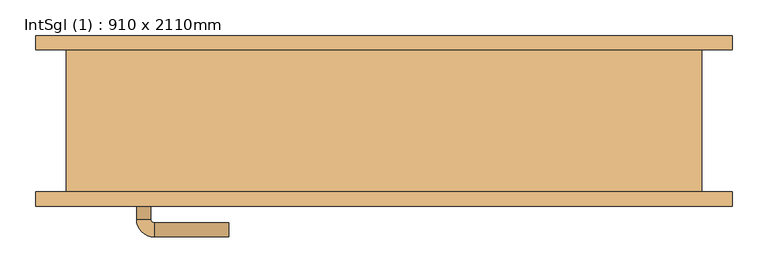
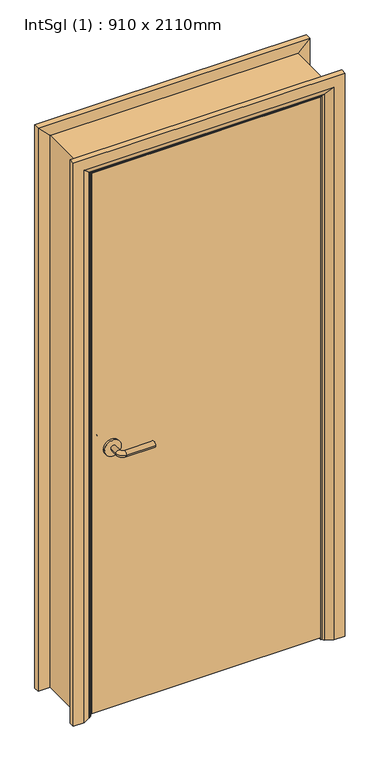
"""IFC4 building model written with IfcOpenShell, lengths in millimetres: door geometry, IntSgl (1) : 910 x 2110mm."""

from ifc_helpers import new_model, si_unit, point, frame, frame_2d, origin, place, context, project, spatial, polyline, circle_curve, ellipse_curve, trimmed, segment, composite_curve, outline, extrude, faceted_brep, source, transform, mapped, element, save
from ifc_brep_helpers import plane_surface, cylinder_surface, revolved_surface, advanced_brep


def intsgl_1_910_x_2110mm_46137337(model_context):
    return source(origin(), model_context, "Body", "SolidModel", [
        advanced_brep(
        [(-348.0, -54.0, 1000.0), (-328.0, -54.0, 1000.0), (-348.0, -24.0, 1000.0), (-328.0, -24.0, 1000.0), (-323.0, -19.0, 1000.0), (-323.0, 1.0, 1000.0), (-218.0, 1.0, 1000.0), (-218.0, -19.0, 1000.0)],
        [
            (0, 1, circle_curve(frame((-338.0, -54.0, 1000.0), z_axis=(0.0, -1.0, 0.0), x_axis=(1.0, 0.0, 0.0)), 10.0)),
            (1, 0, circle_curve(frame((-338.0, -54.0, 1000.0), z_axis=(0.0, -1.0, 0.0), x_axis=(1.0, 0.0, 0.0)), 10.0)),
            (0, 2),
            (2, 3, circle_curve(frame((-338.0, -24.0, 1000.0), z_axis=(0.0, -1.0, 0.0), x_axis=(1.0, 0.0, 0.0)), 10.0)),
            (3, 1),
            (3, 2, circle_curve(frame((-338.0, -24.0, 1000.0), z_axis=(0.0, -1.0, 0.0), x_axis=(1.0, 0.0, 0.0)), 10.0)),
            (4, 3, circle_curve(frame((-323.0, -24.0, 1000.0), z_axis=(0.0, 0.0, 1.0), x_axis=(-1.0, 0.0, 0.0)), 5.0)),
            (2, 5, circle_curve(frame((-323.0, -24.0, 1000.0), z_axis=(0.0, 0.0, -1.0), x_axis=(-1.0, 0.0, 0.0)), 25.0)),
            (5, 4, circle_curve(frame((-323.0, -9.0, 1000.0), z_axis=(-1.0, 0.0, 0.0), x_axis=(0.0, -1.0, 0.0)), 10.0)),
            (4, 5, circle_curve(frame((-323.0, -9.0, 1000.0), z_axis=(-1.0, 0.0, 0.0), x_axis=(0.0, -1.0, 0.0)), 10.0)),
            (6, 7, circle_curve(frame((-218.0, -9.0, 1000.0), z_axis=(1.0, 0.0, 0.0), x_axis=(0.0, -1.0, 0.0)), 10.0)),
            (7, 6, circle_curve(frame((-218.0, -9.0, 1000.0), z_axis=(1.0, 0.0, 0.0), x_axis=(0.0, -1.0, 0.0)), 10.0)),
            (5, 6),
            (7, 4),
        ],
        [
            plane_surface(frame((-338.0, -54.0, 1000.0), z_axis=(0.0, -1.0, 0.0), x_axis=(0.0, 0.0, 1.0))),
            cylinder_surface(frame((-338.0, -54.0, 1000.0), z_axis=(0.0, -1.0, 0.0), x_axis=(1.0, 0.0, 0.0)), 10.0),
            revolved_surface(trimmed(ellipse_curve(frame((-338.0, -24.0, 1000.0), z_axis=(0.0, -1.0, 0.0), x_axis=(1.0, 0.0, 0.0)), 10.0, 10.0), [point((-348.0, -24.0, 1000.0))], [point((-328.0, -24.0, 1000.0))], True, "CARTESIAN"), (-323.0, -24.0, 1000.0), (0.0, 0.0, -1.0)),
            revolved_surface(trimmed(ellipse_curve(frame((-338.0, -24.0, 1000.0), z_axis=(0.0, -1.0, 0.0), x_axis=(1.0, 0.0, 0.0)), 10.0, 10.0), [point((-328.0, -24.0, 1000.0))], [point((-348.0, -24.0, 1000.0))], True, "CARTESIAN"), (-323.0, -24.0, 1000.0), (0.0, 0.0, -1.0)),
            plane_surface(frame((-218.0, -9.0, 1000.0), z_axis=(1.0, 0.0, 0.0), x_axis=(0.0, 0.0, 1.0))),
            cylinder_surface(frame((-323.0, -9.0, 1000.0), z_axis=(-1.0, 0.0, 0.0), x_axis=(0.0, -1.0, 0.0)), 10.0),
        ],
        [
            (0, [[1, 2]]),
            (1, [[-1, 3, 4, 5]]),
            (1, [[-2, -5, 6, -3]]),
            (2, [[7, -4, 8, 9]]),
            (3, [[-8, -6, -7, 10]]),
            (4, [[11, 12]]),
            (5, [[-9, 13, -12, 14]]),
            (5, [[-10, -14, -11, -13]]),
        ],
    ),
        extrude(outline(composite_curve([segment(trimmed(circle_curve(frame_2d((1000.0, -340.5)), 30.0), [point((1000.0, -370.5))], [point((1000.0, -310.5))], False, "CARTESIAN"), True, "CONTINUOUS"), segment(trimmed(circle_curve(frame_2d((1000.0, -340.5)), 30.0), [point((1000.0, -310.5))], [point((1000.0, -370.5))], False, "CARTESIAN"), True, "CONTINUOUS")], self_intersect=False)), frame((0.0, -62.0, 0.0), z_axis=(0.0, 1.0, 0.0), x_axis=(0.0, 0.0, 1.0)), (0.0, 0.0, 1.0), 8.0),
        advanced_brep(
        [(-348.0, -108.0, 1000.0), (-328.0, -108.0, 1000.0), (-328.0, -138.0, 1000.0), (-348.0, -138.0, 1000.0), (-323.0, -143.0, 1000.0), (-323.0, -163.0, 1000.0), (-218.0, -163.0, 1000.0), (-218.0, -143.0, 1000.0)],
        [
            (0, 1, circle_curve(frame((-338.0, -108.0, 1000.0), z_axis=(0.0, 1.0, 0.0), x_axis=(1.0, 0.0, 0.0)), 10.0)),
            (1, 0, circle_curve(frame((-338.0, -108.0, 1000.0), z_axis=(0.0, 1.0, 0.0), x_axis=(1.0, 0.0, 0.0)), 10.0)),
            (1, 2),
            (2, 3, circle_curve(frame((-338.0, -138.0, 1000.0), z_axis=(0.0, 1.0, 0.0), x_axis=(1.0, 0.0, 0.0)), 10.0)),
            (3, 0),
            (3, 2, circle_curve(frame((-338.0, -138.0, 1000.0), z_axis=(0.0, 1.0, 0.0), x_axis=(1.0, 0.0, 0.0)), 10.0)),
            (4, 5, circle_curve(frame((-323.0, -153.0, 1000.0), z_axis=(-1.0, 0.0, 0.0), x_axis=(0.0, 1.0, 0.0)), 10.0)),
            (5, 3, circle_curve(frame((-323.0, -138.0, 1000.0), z_axis=(0.0, 0.0, -1.0), x_axis=(-1.0, 0.0, 0.0)), 25.0)),
            (2, 4, circle_curve(frame((-323.0, -138.0, 1000.0), z_axis=(0.0, 0.0, 1.0), x_axis=(-1.0, 0.0, 0.0)), 5.0)),
            (5, 4, circle_curve(frame((-323.0, -153.0, 1000.0), z_axis=(-1.0, 0.0, 0.0), x_axis=(0.0, 1.0, 0.0)), 10.0)),
            (6, 7, circle_curve(frame((-218.0, -153.0, 1000.0), z_axis=(1.0, 0.0, 0.0), x_axis=(0.0, 1.0, 0.0)), 10.0)),
            (7, 6, circle_curve(frame((-218.0, -153.0, 1000.0), z_axis=(1.0, 0.0, 0.0), x_axis=(0.0, 1.0, 0.0)), 10.0)),
            (4, 7),
            (6, 5),
        ],
        [
            plane_surface(frame((-338.0, -108.0, 1000.0), z_axis=(0.0, 1.0, 0.0), x_axis=(0.0, 0.0, 1.0))),
            cylinder_surface(frame((-338.0, -108.0, 1000.0), z_axis=(0.0, 1.0, 0.0), x_axis=(1.0, 0.0, 0.0)), 10.0),
            revolved_surface(trimmed(ellipse_curve(frame((-338.0, -138.0, 1000.0), z_axis=(0.0, -1.0, 0.0), x_axis=(1.0, 0.0, 0.0)), 10.0, 10.0), [point((-348.0, -138.0, 1000.0))], [point((-328.0, -138.0, 1000.0))], True, "CARTESIAN"), (-323.0, -138.0, 1000.0), (0.0, 0.0, -1.0)),
            revolved_surface(trimmed(ellipse_curve(frame((-338.0, -138.0, 1000.0), z_axis=(0.0, -1.0, 0.0), x_axis=(1.0, 0.0, 0.0)), 10.0, 10.0), [point((-328.0, -138.0, 1000.0))], [point((-348.0, -138.0, 1000.0))], True, "CARTESIAN"), (-323.0, -138.0, 1000.0), (0.0, 0.0, -1.0)),
            plane_surface(frame((-218.0, -153.0, 1000.0), z_axis=(1.0, 0.0, 0.0), x_axis=(0.0, 0.0, 1.0))),
            cylinder_surface(frame((-323.0, -153.0, 1000.0), z_axis=(-1.0, 0.0, 0.0), x_axis=(0.0, 1.0, 0.0)), 10.0),
        ],
        [
            (0, [[1, 2]]),
            (1, [[3, 4, 5, -2]]),
            (1, [[-5, 6, -3, -1]]),
            (2, [[7, 8, -4, 9]]),
            (3, [[10, -9, -6, -8]]),
            (4, [[11, 12]]),
            (5, [[13, -11, 14, -7]]),
            (5, [[-14, -12, -13, -10]]),
        ],
    ),
        extrude(outline(composite_curve([segment(trimmed(circle_curve(frame_2d((1000.0, -340.5)), 30.0), [point((1000.0, -370.5))], [point((1000.0, -310.5))], False, "CARTESIAN"), True, "CONTINUOUS"), segment(trimmed(circle_curve(frame_2d((1000.0, -340.5)), 30.0), [point((1000.0, -310.5))], [point((1000.0, -370.5))], False, "CARTESIAN"), True, "CONTINUOUS")], self_intersect=False)), frame((0.0, -108.0, 0.0), z_axis=(0.0, 1.0, 0.0), x_axis=(0.0, 0.0, 1.0)), (0.0, 0.0, 1.0), 8.0),
        extrude(outline(polyline([(413.0, -62.0), (413.0, -100.0), (-413.0, -100.0), (-413.0, -62.0), (413.0, -62.0)])), frame((0.0, 0.0, 8.0), z_axis=(0.0, 0.0, 1.0), x_axis=(1.0, 0.0, 0.0)), (0.0, 0.0, 1.0), 2060.0),
        advanced_brep(
        [(490.0, -120.0, 0.0), (450.0, -120.0, 0.0), (424.0, -106.0, 0.0), (420.0, -100.0, 0.0), (490.0, -100.0, 0.0), (490.0, -100.0, 2145.0), (490.0, -120.0, 2145.0), (420.0, -100.0, 2075.0), (-420.0, -100.0, 2075.0), (-420.0, -100.0, 0.0), (-490.0, -100.0, 0.0), (-490.0, -100.0, 2145.0), (424.0, -106.0, 2079.0), (450.0, -120.0, 2105.0), (-490.0, -120.0, 2145.0), (-490.0, -120.0, 0.0), (-450.0, -120.0, 0.0), (-450.0, -120.0, 2105.0), (-424.0, -106.0, 2079.0), (-424.0, -106.0, 0.0)],
        [
            (0, 1),
            (1, 2),
            (2, 3, circle_curve(frame((428.0, -99.0, 0.0), z_axis=(0.0, 0.0, -1.0), x_axis=(1.0, 0.0, 0.0)), 8.0622577)),
            (3, 4),
            (4, 0),
            (4, 5),
            (5, 6),
            (6, 0),
            (3, 7),
            (7, 8),
            (8, 9),
            (9, 10),
            (10, 11),
            (11, 5),
            (2, 12),
            (12, 7, ellipse_curve(frame((428.0, -99.0, 2083.0), z_axis=(0.7071067811865475, 0.0, -0.7071067811865475), x_axis=(-0.7071067811865474, 0.0, -0.7071067811865476)), 11.4017543, 8.0622577)),
            (1, 13),
            (13, 12),
            (6, 14),
            (14, 15),
            (15, 16),
            (16, 17),
            (17, 13),
            (11, 14),
            (12, 18),
            (18, 8, ellipse_curve(frame((-428.0, -99.0, 2083.0), z_axis=(0.7071067811865475, 0.0, 0.7071067811865475), x_axis=(0.7071067811865476, 0.0, -0.7071067811865474)), 11.4017543, 8.0622577)),
            (17, 18),
            (15, 10),
            (9, 19, circle_curve(frame((-428.0, -99.0, 0.0), z_axis=(0.0, 0.0, -1.0), x_axis=(-1.0, 0.0, 0.0)), 8.0622577)),
            (19, 16),
            (18, 19),
        ],
        [
            plane_surface(frame((420.0, -100.0, 0.0), z_axis=(0.0, 0.0, -1.0), x_axis=(0.0, 1.0, 0.0))),
            plane_surface(frame((490.0, -120.0, 0.0), z_axis=(1.0, 0.0, 0.0), x_axis=(0.0, 0.0, 1.0))),
            plane_surface(frame((490.0, -100.0, 0.0), z_axis=(0.0, 1.0, 0.0), x_axis=(0.0, 0.0, 1.0))),
            cylinder_surface(frame((428.0, -99.0, 0.0), z_axis=(0.0, 0.0, -1.0), x_axis=(1.0, 0.0, 0.0)), 8.0622577),
            plane_surface(frame((424.0, -106.0, 0.0), z_axis=(-0.4740998230350126, -0.880471099922178, 0.0), x_axis=(0.0, 0.0, 1.0))),
            plane_surface(frame((450.0, -120.0, 0.0), z_axis=(0.0, -1.0, 0.0), x_axis=(0.0, 0.0, 1.0))),
            plane_surface(frame((490.0, -120.0, 2145.0), z_axis=(0.0, 0.0, 1.0), x_axis=(-1.0, 0.0, 0.0))),
            cylinder_surface(frame((420.0, -99.0, 2083.0), z_axis=(1.0, 0.0, 0.0), x_axis=(0.0, 0.0, 1.0)), 8.0622577),
            plane_surface(frame((424.0, -106.0, 2079.0), z_axis=(0.0, -0.8804710999221764, -0.4740998230350154), x_axis=(-1.0, 0.0, 0.0))),
            plane_surface(frame((-420.0, -100.0, 0.0), z_axis=(0.0, 0.0, -1.0), x_axis=(0.0, 1.0, 0.0))),
            plane_surface(frame((-490.0, -120.0, 2145.0), z_axis=(-1.0, 0.0, 0.0), x_axis=(0.0, 0.0, -1.0))),
            cylinder_surface(frame((-428.0, -99.0, 2075.0), z_axis=(0.0, 0.0, 1.0), x_axis=(-1.0, 0.0, 0.0)), 8.0622577),
            plane_surface(frame((-424.0, -106.0, 2079.0), z_axis=(0.47409982303501824, -0.8804710999221749, 0.0), x_axis=(0.0, 0.0, -1.0))),
        ],
        [
            (0, [[1, 2, 3, 4, 5]]),
            (1, [[6, 7, 8, -5]]),
            (2, [[9, 10, 11, 12, 13, 14, -6, -4]]),
            (3, [[15, 16, -9, -3]]),
            (4, [[17, 18, -15, -2]]),
            (5, [[-8, 19, 20, 21, 22, 23, -17, -1]]),
            (6, [[-14, 24, -19, -7]]),
            (7, [[25, 26, -10, -16]]),
            (8, [[-23, 27, -25, -18]]),
            (9, [[28, -12, 29, 30, -21]]),
            (10, [[-13, -28, -20, -24]]),
            (11, [[31, -29, -11, -26]]),
            (12, [[-22, -30, -31, -27]]),
        ],
    ),
        extrude(outline(polyline([(0.0, -396.0), (2051.0, -396.0), (2051.0, 396.0), (0.0, 396.0), (0.0, 415.0), (2070.0, 415.0), (2070.0, -415.0), (0.0, -415.0), (0.0, -396.0)])), frame((0.0, -60.0, 0.0), z_axis=(0.0, 1.0, 0.0), x_axis=(0.0, 0.0, 1.0)), (0.0, 0.0, 1.0), 32.0),
        advanced_brep(
        [(-490.0, 120.0, 0.0), (-450.0, 120.0, 0.0), (-424.0, 106.0, 0.0), (-420.0, 100.0, 0.0), (-490.0, 100.0, 0.0), (-490.0, 100.0, 2145.0), (-490.0, 120.0, 2145.0), (-420.0, 100.0, 2075.0), (-424.0, 106.0, 2079.0), (-450.0, 120.0, 2105.0), (490.0, 100.0, 2145.0), (490.0, 120.0, 2145.0), (420.0, 100.0, 2075.0), (424.0, 106.0, 2079.0), (450.0, 120.0, 2105.0), (490.0, 120.0, 0.0), (490.0, 100.0, 0.0), (420.0, 100.0, 0.0), (424.0, 106.0, 0.0), (450.0, 120.0, 0.0)],
        [
            (0, 1),
            (1, 2),
            (2, 3, circle_curve(frame((-428.0, 99.0, 0.0), z_axis=(0.0, 0.0, -1.0), x_axis=(-1.0, 0.0, 0.0)), 8.0622577)),
            (3, 4),
            (4, 0),
            (4, 5),
            (5, 6),
            (6, 0),
            (3, 7),
            (7, 5),
            (2, 8),
            (8, 7, ellipse_curve(frame((-428.0, 99.0, 2083.0), z_axis=(-0.7071067811865475, 0.0, -0.7071067811865475), x_axis=(0.7071067811865474, 0.0, -0.7071067811865476)), 11.4017543, 8.0622577)),
            (1, 9),
            (9, 8),
            (6, 9),
            (5, 10),
            (10, 11),
            (11, 6),
            (7, 12),
            (12, 10),
            (8, 13),
            (13, 12, ellipse_curve(frame((428.0, 99.0, 2083.0), z_axis=(-0.7071067811865475, 0.0, 0.7071067811865475), x_axis=(-0.7071067811865476, 0.0, -0.7071067811865474)), 11.4017543, 8.0622577)),
            (9, 14),
            (14, 13),
            (11, 14),
            (15, 16),
            (16, 17),
            (17, 18, circle_curve(frame((428.0, 99.0, 0.0), z_axis=(0.0, 0.0, -1.0), x_axis=(1.0, 0.0, 0.0)), 8.0622577)),
            (18, 19),
            (19, 15),
            (10, 16),
            (15, 11),
            (12, 17),
            (13, 18),
            (14, 19),
        ],
        [
            plane_surface(frame((-420.0, 172.8010989, 0.0), z_axis=(0.0, 0.0, -1.0), x_axis=(1.0, 0.0, 0.0))),
            plane_surface(frame((-490.0, 120.0, 0.0), z_axis=(-1.0, 0.0, 0.0), x_axis=(0.0, 0.0, 1.0))),
            plane_surface(frame((-490.0, 100.0, 0.0), z_axis=(0.0, -1.0, 0.0), x_axis=(0.0, 0.0, 1.0))),
            cylinder_surface(frame((-428.0, 99.0, 0.0), z_axis=(0.0, 0.0, -1.0), x_axis=(-1.0, 0.0, 0.0)), 8.0622577),
            plane_surface(frame((-424.0, 106.0, 0.0), z_axis=(0.4740998230350183, 0.8804710999221749, 0.0), x_axis=(0.0, 0.0, 1.0))),
            plane_surface(frame((-450.0, 120.0, 0.0), z_axis=(0.0, 1.0, 0.0), x_axis=(0.0, 0.0, 1.0))),
            plane_surface(frame((-490.0, 120.0, 2145.0), z_axis=(0.0, 0.0, 1.0), x_axis=(1.0, 0.0, 0.0))),
            plane_surface(frame((-490.0, 100.0, 2145.0), z_axis=(0.0, -1.0, 0.0), x_axis=(1.0, 0.0, 0.0))),
            cylinder_surface(frame((-420.0, 99.0, 2083.0), z_axis=(-1.0, 0.0, 0.0), x_axis=(0.0, 0.0, 1.0)), 8.0622577),
            plane_surface(frame((-424.0, 106.0, 2079.0), z_axis=(0.0, 0.8804710999221749, -0.4740998230350183), x_axis=(1.0, 0.0, 0.0))),
            plane_surface(frame((-450.0, 120.0, 2105.0), z_axis=(0.0, 1.0, 0.0), x_axis=(1.0, 0.0, 0.0))),
            plane_surface(frame((420.0, 172.8010989, 0.0), z_axis=(0.0, 0.0, -1.0), x_axis=(-1.0, 0.0, 0.0))),
            plane_surface(frame((490.0, 120.0, 2145.0), z_axis=(1.0, 0.0, 0.0), x_axis=(0.0, 0.0, -1.0))),
            plane_surface(frame((490.0, 100.0, 2145.0), z_axis=(0.0, -1.0, 0.0), x_axis=(0.0, 0.0, -1.0))),
            cylinder_surface(frame((428.0, 99.0, 2075.0), z_axis=(0.0, 0.0, 1.0), x_axis=(1.0, 0.0, 0.0)), 8.0622577),
            plane_surface(frame((424.0, 106.0, 2079.0), z_axis=(-0.4740998230350183, 0.8804710999221749, 0.0), x_axis=(0.0, 0.0, -1.0))),
            plane_surface(frame((450.0, 120.0, 2105.0), z_axis=(0.0, 1.0, 0.0), x_axis=(0.0, 0.0, -1.0))),
        ],
        [
            (0, [[1, 2, 3, 4, 5]]),
            (1, [[6, 7, 8, -5]]),
            (2, [[9, 10, -6, -4]]),
            (3, [[11, 12, -9, -3]]),
            (4, [[13, 14, -11, -2]]),
            (5, [[-8, 15, -13, -1]]),
            (6, [[16, 17, 18, -7]]),
            (7, [[19, 20, -16, -10]]),
            (8, [[21, 22, -19, -12]]),
            (9, [[23, 24, -21, -14]]),
            (10, [[-18, 25, -23, -15]]),
            (11, [[26, 27, 28, 29, 30]]),
            (12, [[31, -26, 32, -17]]),
            (13, [[33, -27, -31, -20]]),
            (14, [[34, -28, -33, -22]]),
            (15, [[35, -29, -34, -24]]),
            (16, [[-32, -30, -35, -25]]),
        ],
    ),
        faceted_brep([(-415.0, -100.0, 0.0), (-447.0, -100.0, 0.0), (-447.0, 100.0, 0.0), (-415.0, 100.0, 0.0), (-415.0, 100.0, 2070.0), (-415.0, -100.0, 2070.0), (-447.0, 100.0, 2102.0), (-447.0, -100.0, 2102.0), (415.0, 100.0, 2070.0), (415.0, -100.0, 2070.0), (447.0, 100.0, 2102.0), (447.0, -100.0, 2102.0), (415.0, -100.0, 0.0), (415.0, 100.0, 0.0), (447.0, 100.0, 0.0), (447.0, -100.0, 0.0)], [[[0, 1, 2, 3]], [[3, 4, 5, 0]], [[2, 6, 4, 3]], [[1, 7, 6, 2]], [[0, 5, 7, 1]], [[4, 8, 9, 5]], [[6, 10, 8, 4]], [[7, 11, 10, 6]], [[5, 9, 11, 7]], [[12, 13, 14, 15]], [[8, 13, 12, 9]], [[10, 14, 13, 8]], [[11, 15, 14, 10]], [[9, 12, 15, 11]]]),
    ])


if __name__ == "__main__":
    model = new_model("IFC4")
    model_context = context("Model", 3, world=origin())
    ifc_project = project(units=[si_unit("LENGTHUNIT", "METRE", prefix="MILLI")], contexts=[model_context])
    site = spatial("IfcSite", under=ifc_project)
    building = spatial("IfcBuilding", under=site)
    placement = place(None, origin())
    intsgl_1_910_x_2110mm_shape = intsgl_1_910_x_2110mm_46137337(model_context)
    element("IfcDoor", 1, ObjectType="IntSgl (1) : 910 x 2110mm", at=placement, inside=building, context=model_context, shape_type="MappedRepresentation", body=[
        mapped(intsgl_1_910_x_2110mm_shape, transform((0.0, 0.0, 0.0), x_axis=(1.0, 0.0, 0.0), y_axis=(0.0, 1.0, 0.0), z_axis=(0.0, 0.0, 1.0))),
    ])
    save(model, "model.ifc")
